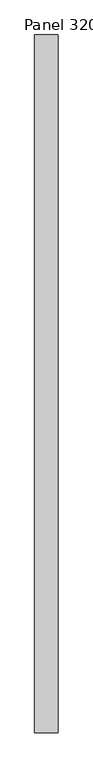
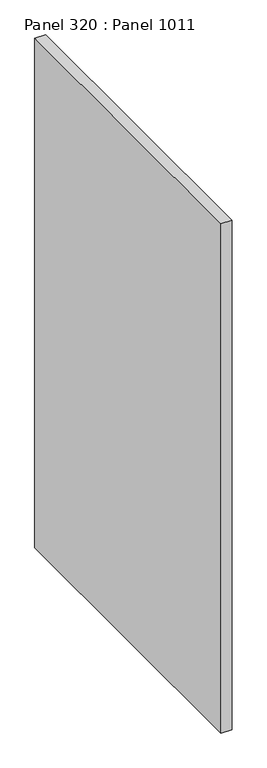
"""IFC4 building model written with IfcOpenShell, lengths in millimetres: proxy geometry, Panel 320 : Panel 1011."""

import ifcopenshell
import ifcopenshell.guid

model = None  # the IFC model being written
_history = None  # IfcOwnerHistory: only IFC2X3 demands one
_inside = {}  # id of a spatial element -> (the spatial element, [elements in it])
_under = {}  # id of a project, library or spatial element -> (it, [spatial elements below it])
_declared = {}  # id of a project -> (the project, [libraries it declares])
_typed = {}  # id of a type object -> (the type object, [elements of that type])
_made_of = {}  # id of a material, layer set ... -> (it, [elements and type objects made of it])


def new_model(schema):
    """Start an empty IFC model of exactly this schema.

    Asked for "IFC4X3", IfcOpenShell would pick the latest addendum, in which some entities
    have other attributes; the version numbers below select the first issue.
    IFC2X3 requires an IfcOwnerHistory on every rooted entity: one is made here for all.
    """
    global model, _history
    if schema == "IFC4X3":
        model = ifcopenshell.file(schema_version=(4, 3, 0, 0))
    else:
        model = ifcopenshell.file(schema=schema)
    _inside.clear()
    _under.clear()
    _declared.clear()
    _typed.clear()
    _made_of.clear()
    _history = None
    if model.schema == "IFC2X3":
        org = make("IfcOrganization", Name="unknown")
        user = make(
            "IfcPersonAndOrganization",
            ThePerson=make("IfcPerson", FamilyName="unknown"),
            TheOrganization=org,
        )
        app = make(
            "IfcApplication",
            ApplicationDeveloper=org,
            Version="unknown",
            ApplicationFullName="unknown",
            ApplicationIdentifier="unknown",
        )
        _history = make(
            "IfcOwnerHistory",
            OwningUser=user,
            OwningApplication=app,
            ChangeAction="ADDED",
            CreationDate=0,
        )
    return model


def make(cls, **values):
    """One entity of the class cls with the attributes given. An attribute that is None is left unset."""
    return model.create_entity(
        cls, **{name: value for name, value in values.items() if value is not None}
    )


def rooted(cls, **values):
    """An entity with a GlobalId (a new one), such as an element, a storey or a relation."""
    return make(cls, GlobalId=ifcopenshell.guid.new(), OwnerHistory=_history, **values)


def si_unit(unit_type, name, prefix=None):
    """IfcSIUnit, for example si_unit("LENGTHUNIT", "METRE", prefix="MILLI")."""
    return make("IfcSIUnit", UnitType=unit_type, Prefix=prefix, Name=name)


def assignment(units):
    """IfcUnitAssignment: the units of a project."""
    return None if units is None else make("IfcUnitAssignment", Units=units)


def point(xyz):
    """IfcCartesianPoint."""
    return None if xyz is None else make("IfcCartesianPoint", Coordinates=xyz)


def direction(xyz):
    """IfcDirection."""
    return None if xyz is None else make("IfcDirection", DirectionRatios=xyz)


def frame(location, z_axis=None, x_axis=None):
    """IfcAxis2Placement3D, a coordinate frame: its origin and axes. An axis left out is left unset."""
    return make(
        "IfcAxis2Placement3D",
        Location=point(location),
        Axis=direction(z_axis),
        RefDirection=direction(x_axis),
    )


def origin():
    """The frame at (0, 0, 0) with its axes left unset."""
    return frame((0.0, 0.0, 0.0))


def place(relative_to, where):
    """IfcLocalPlacement: puts the frame where relative to a parent placement (None: the world)."""
    return make(
        "IfcLocalPlacement", PlacementRelTo=relative_to, RelativePlacement=where
    )


def context(
    kind, dimensions, precision=None, world=None, true_north=None, identifier=None
):
    """IfcGeometricRepresentationContext, for example the 3D "Model" context."""
    return make(
        "IfcGeometricRepresentationContext",
        ContextIdentifier=identifier,
        ContextType=kind,
        CoordinateSpaceDimension=dimensions,
        Precision=precision,
        WorldCoordinateSystem=world,
        TrueNorth=true_north,
    )


def project(units=None, contexts=None):
    """IfcProject with its units and contexts."""
    return rooted(
        "IfcProject",
        Name="project",
        RepresentationContexts=contexts,
        UnitsInContext=assignment(units),
    )


def spatial(cls, under=None, at=None, **own):
    """A site, building, storey or space (cls), placed at a placement, below another one or the project."""
    s = rooted(cls, ObjectPlacement=at, **own)
    if under is not None:
        _under.setdefault(under.id(), (under, []))[1].append(s)
    return s


def polyline(points):
    """IfcPolyline through the points."""
    return make("IfcPolyline", Points=[point(p) for p in points])


def outline(outer, holes=None, kind="AREA"):
    """IfcArbitraryClosedProfileDef: a profile drawn as a closed curve; with holes, ...WithVoids."""
    if holes is None:
        return make("IfcArbitraryClosedProfileDef", ProfileType=kind, OuterCurve=outer)
    return make(
        "IfcArbitraryProfileDefWithVoids",
        ProfileType=kind,
        OuterCurve=outer,
        InnerCurves=holes,
    )


def extrude(swept, where, along, depth):
    """IfcExtrudedAreaSolid: the profile swept, set in the frame where, extruded along a direction by depth."""
    return make(
        "IfcExtrudedAreaSolid",
        SweptArea=swept,
        Position=where,
        ExtrudedDirection=direction(along),
        Depth=depth,
    )


def shape(context_of_items, identifier, shape_type, items):
    """IfcShapeRepresentation: the items that make up one representation, for example the "Body"."""
    return make(
        "IfcShapeRepresentation",
        ContextOfItems=context_of_items,
        RepresentationIdentifier=identifier,
        RepresentationType=shape_type,
        Items=items,
    )


def source(mapping_origin, context_of_items, identifier, shape_type, items):
    """IfcRepresentationMap: a shape defined once, which mapped items show again and again."""
    return make(
        "IfcRepresentationMap",
        MappingOrigin=mapping_origin,
        MappedRepresentation=shape(context_of_items, identifier, shape_type, items),
    )


def transform(
    local_origin,
    x_axis=None,
    y_axis=None,
    z_axis=None,
    scale=None,
    scale2=None,
    scale3=None,
    uniform=True,
):
    """IfcCartesianTransformationOperator3D, or its non-uniform kind. x_axis, y_axis, z_axis: its Axis1, 2, 3."""
    if uniform:
        return make(
            "IfcCartesianTransformationOperator3D",
            Axis1=direction(x_axis),
            Axis2=direction(y_axis),
            LocalOrigin=point(local_origin),
            Scale=scale,
            Axis3=direction(z_axis),
        )
    return make(
        "IfcCartesianTransformationOperator3DnonUniform",
        Axis1=direction(x_axis),
        Axis2=direction(y_axis),
        LocalOrigin=point(local_origin),
        Scale=scale,
        Axis3=direction(z_axis),
        Scale2=scale2,
        Scale3=scale3,
    )


def mapped(mapping_source, mapping_target):
    """IfcMappedItem: shows the shape of a source again, moved by a transform."""
    return make(
        "IfcMappedItem", MappingSource=mapping_source, MappingTarget=mapping_target
    )


def made_of(thing, what):
    """Note that an element or type object is made of a material, layer set ...; save() writes the relation."""
    if what is not None:
        _made_of.setdefault(what.id(), (what, []))[1].append(thing)
    return thing


def element(
    cls,
    number,
    at=None,
    inside=None,
    cuts=None,
    type_object=None,
    material=None,
    context=None,
    identifier="Body",
    shape_type=None,
    held_by="IfcProductDefinitionShape",
    body=None,
    shapes=None,
    **own,
):
    """One element of the class cls, such as IfcWall. Its Tag is "e" and its number.

    at: its placement. inside: the storey or other place that contains it. cuts: it is an
    opening in that element (IfcRelVoidsElement). A single representation is given by context,
    identifier, shape_type and body (its items); several are given by shapes. held_by: the class
    of the entity that holds the representations. save() writes the other relations.
    """
    e = rooted(cls, Tag="e%d" % number, ObjectPlacement=at, **own)
    if body is not None:
        shapes = [shape(context, identifier, shape_type, body)]
    if shapes is not None:
        e.Representation = make(held_by, Representations=shapes)
    if inside is not None:
        _inside.setdefault(inside.id(), (inside, []))[1].append(e)
    if cuts is not None:
        rooted(
            "IfcRelVoidsElement", RelatingBuildingElement=cuts, RelatedOpeningElement=e
        )
    if type_object is not None:
        _typed.setdefault(type_object.id(), (type_object, []))[1].append(e)
    return made_of(e, material)


def aggregate(whole, parts):
    """IfcRelAggregates: a whole, such as a stair, and the parts it consists of."""
    return rooted("IfcRelAggregates", RelatingObject=whole, RelatedObjects=parts)


def save(model, path):
    """Write the relations noted so far, then the file.

    IfcRelAggregates (storeys below a building ...), IfcRelContainedInSpatialStructure (elements
    in a storey), IfcRelDefinesByType, IfcRelAssociatesMaterial and IfcRelDeclares: one each for
    every whole, place, type object, material and project.
    """
    for whole, parts in _under.values():
        aggregate(whole, parts)
    for where, things in _inside.values():
        rooted(
            "IfcRelContainedInSpatialStructure",
            RelatedElements=things,
            RelatingStructure=where,
        )
    for kind, things in _typed.values():
        rooted("IfcRelDefinesByType", RelatedObjects=things, RelatingType=kind)
    for what, things in _made_of.values():
        rooted("IfcRelAssociatesMaterial", RelatedObjects=things, RelatingMaterial=what)
    for by, libraries in _declared.values():
        rooted("IfcRelDeclares", RelatingContext=by, RelatedDefinitions=libraries)
    model.write(path)


def panel_320_panel_1011_3414b01a(model_context):
    return source(origin(), model_context, "Body", "SweptSolid", [
        extrude(outline(polyline([(26317.4760047, 335305.7856608), (26367.4760468, 335305.7856612), (26367.4759929, 333805.7856534), (26317.4759507, 333805.785653), (26317.4760047, 335305.7856608)])), frame((0.0, 0.0, 34575.0), z_axis=(0.0, 0.0, 1.0), x_axis=(1.0, 0.0, 0.0)), (0.0, 0.0, 1.0), 2500.0),
    ])


if __name__ == "__main__":
    model = new_model("IFC4")
    model_context = context("Model", 3, world=origin())
    ifc_project = project(units=[si_unit("LENGTHUNIT", "METRE", prefix="MILLI")], contexts=[model_context])
    site = spatial("IfcSite", under=ifc_project)
    building = spatial("IfcBuilding", under=site)
    placement = place(None, origin())
    panel_320_panel_1011_shape = panel_320_panel_1011_3414b01a(model_context)
    element("IfcBuildingElementProxy", 1, Name="Panel 320 : Panel 1011", ObjectType="Panel 320 : Panel 1011", at=placement, inside=building, context=model_context, shape_type="MappedRepresentation", body=[
        mapped(panel_320_panel_1011_shape, transform((0.0, 0.0, 0.0), x_axis=(1.0, 0.0, 0.0), y_axis=(0.0, 1.0, 0.0), z_axis=(0.0, 0.0, 1.0))),
    ])
    save(model, "model.ifc")
